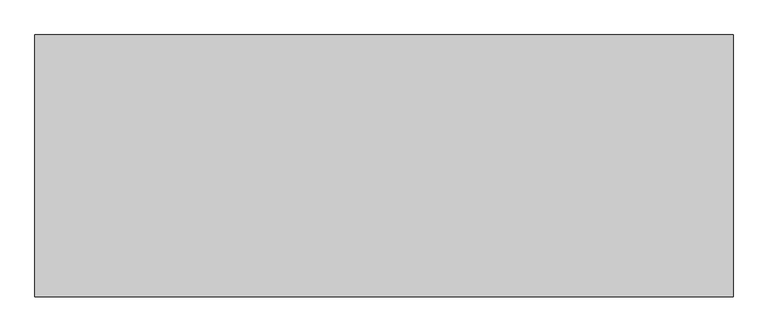
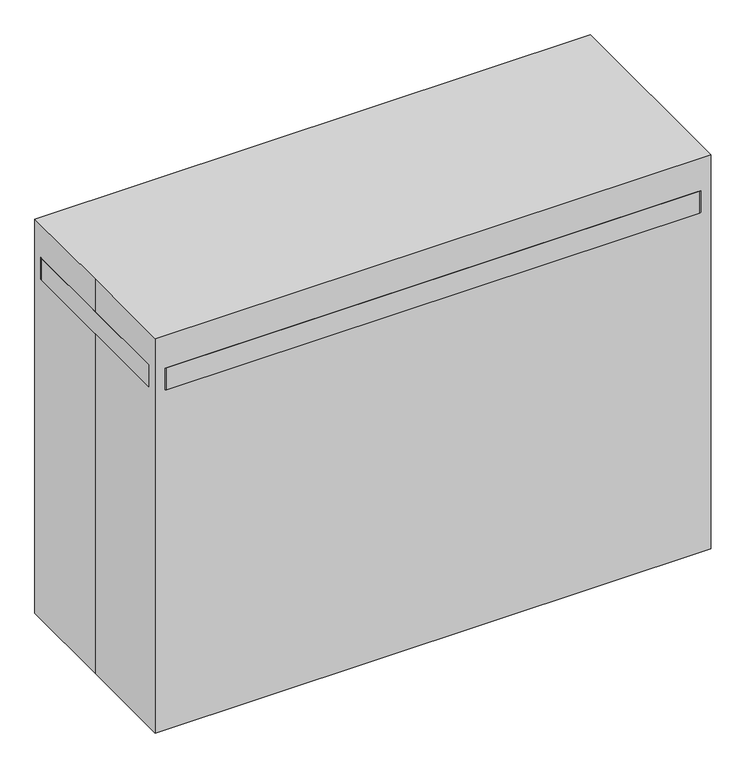
"""IFC4 building model written with IfcOpenShell, lengths in millimetres: proxy geometry."""

from ifc_helpers import new_model, si_unit, point, frame, frame_2d, origin, origin_with_axes, place, context, project, spatial, polyline, circle_curve, trimmed, segment, composite_curve, outline, extrude, source, transform, mapped, element, save


def specialty_equipment_5ab2001b(model_context):
    return source(origin(), model_context, "Body", "SweptSolid", [
        extrude(outline(composite_curve([segment(trimmed(circle_curve(frame_2d((584.2, 203.2)), 25.4), [point((584.2, 228.6))], [point((609.6, 203.2))], False, "CARTESIAN"), True, "CONTINUOUS"), segment(polyline([(609.6, 203.2), (609.6, -203.2)]), True, "CONTINUOUS"), segment(trimmed(circle_curve(frame_2d((584.2, -203.2)), 25.4), [point((609.6, -203.2))], [point((584.2, -228.6))], False, "CARTESIAN"), True, "CONTINUOUS"), segment(polyline([(584.2, -228.6), (-584.2, -228.6)]), True, "CONTINUOUS"), segment(trimmed(circle_curve(frame_2d((-584.2, -203.2)), 25.4), [point((-584.2, -228.6))], [point((-609.6, -203.2))], False, "CARTESIAN"), True, "CONTINUOUS"), segment(polyline([(-609.6, -203.2), (-609.6, 203.2)]), True, "CONTINUOUS"), segment(trimmed(circle_curve(frame_2d((-584.2, 203.2)), 25.4), [point((-609.6, 203.2))], [point((-584.2, 228.6))], False, "CARTESIAN"), True, "CONTINUOUS"), segment(polyline([(-584.2, 228.6), (584.2, 228.6)]), True, "CONTINUOUS")], self_intersect=False)), frame((0.0, 0.0, 787.4), z_axis=(0.0, 0.0, 1.0), x_axis=(1.0, 0.0, 0.0)), (0.0, 0.0, 1.0), 50.8),
        extrude(outline(composite_curve([segment(trimmed(circle_curve(frame_2d((-533.4, 152.4)), 38.1), [point((-571.5, 152.4))], [point((-495.3, 152.4))], False, "CARTESIAN"), True, "CONTINUOUS"), segment(trimmed(circle_curve(frame_2d((-533.4, 152.4)), 38.1), [point((-495.3, 152.4))], [point((-571.5, 152.4))], False, "CARTESIAN"), True, "CONTINUOUS")], self_intersect=False)), origin_with_axes(), (0.0, 0.0, 1.0), 787.4),
        extrude(outline(composite_curve([segment(trimmed(circle_curve(frame_2d((533.4, 152.4)), 38.1), [point((495.3, 152.4))], [point((571.5, 152.4))], False, "CARTESIAN"), True, "CONTINUOUS"), segment(trimmed(circle_curve(frame_2d((533.4, 152.4)), 38.1), [point((571.5, 152.4))], [point((495.3, 152.4))], False, "CARTESIAN"), True, "CONTINUOUS")], self_intersect=False)), origin_with_axes(), (0.0, 0.0, 1.0), 787.4),
        extrude(outline(composite_curve([segment(trimmed(circle_curve(frame_2d((-533.4, -152.4)), 38.1), [point((-571.5, -152.4))], [point((-495.3, -152.4))], False, "CARTESIAN"), True, "CONTINUOUS"), segment(trimmed(circle_curve(frame_2d((-533.4, -152.4)), 38.1), [point((-495.3, -152.4))], [point((-571.5, -152.4))], False, "CARTESIAN"), True, "CONTINUOUS")], self_intersect=False)), origin_with_axes(), (0.0, 0.0, 1.0), 787.4),
        extrude(outline(composite_curve([segment(trimmed(circle_curve(frame_2d((533.4, -152.4)), 38.1), [point((495.3, -152.4))], [point((571.5, -152.4))], False, "CARTESIAN"), True, "CONTINUOUS"), segment(trimmed(circle_curve(frame_2d((533.4, -152.4)), 38.1), [point((571.5, -152.4))], [point((495.3, -152.4))], False, "CARTESIAN"), True, "CONTINUOUS")], self_intersect=False)), origin_with_axes(), (0.0, 0.0, 1.0), 787.4),
        extrude(outline(polyline([(-609.6, 228.6), (609.6, 228.6), (609.6, -228.6), (-609.6, -228.6), (-609.6, 0.0), (-609.6, 228.6)])), origin_with_axes(), (0.0, 0.0, 1.0), 914.4),
    ])


if __name__ == "__main__":
    model = new_model("IFC4")
    model_context = context("Model", 3, world=origin())
    ifc_project = project(units=[si_unit("LENGTHUNIT", "METRE", prefix="MILLI")], contexts=[model_context])
    site = spatial("IfcSite", under=ifc_project)
    building = spatial("IfcBuilding", under=site)
    placement = place(None, origin())
    specialty_equipment_shape = specialty_equipment_5ab2001b(model_context)
    element("IfcBuildingElementProxy", 1, Name="Specialty Equipment", at=placement, inside=building, context=model_context, shape_type="MappedRepresentation", body=[
        mapped(specialty_equipment_shape, transform((0.0, 0.0, 0.0), x_axis=(1.0, 0.0, 0.0), y_axis=(0.0, 1.0, 0.0), z_axis=(0.0, 0.0, 1.0))),
    ])
    save(model, "model.ifc")
